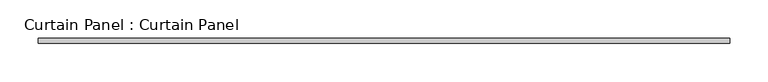
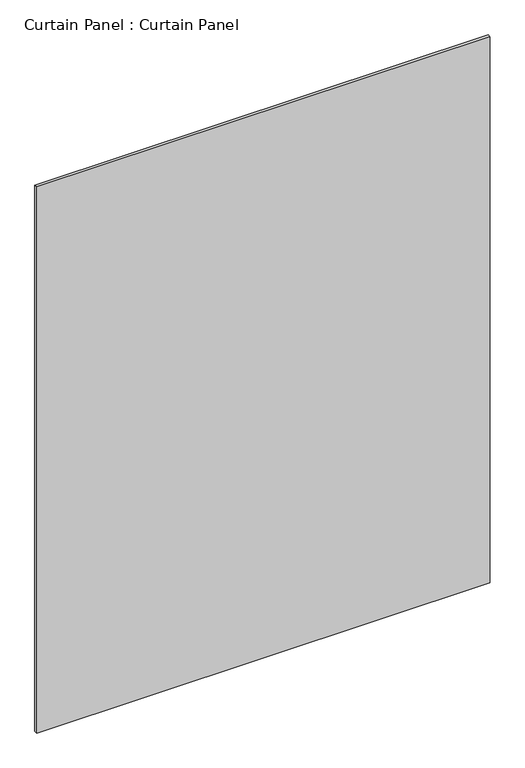
"""IFC4 building model written with IfcOpenShell, lengths in millimetres: plate geometry, Curtain Panel : Curtain Panel."""

from ifc_helpers import new_model, si_unit, frame, origin, place, context, project, spatial, polyline, outline, extrude, source, transform, mapped, element, save


def curtain_panel_curtain_panel_66d76c09(model_context):
    return source(origin(), model_context, "Body", "SweptSolid", [
        extrude(outline(polyline([(-15937.4276264, 9468.4705739), (-16838.7898064, 9468.4705739), (-16838.7898064, 9474.8205739), (-15937.4276264, 9474.8205739), (-15937.4276264, 9468.4705739)])), frame((0.0, 0.0, 1231.0413835), z_axis=(0.0, 0.0, 1.0), x_axis=(1.0, 0.0, 0.0)), (0.0, 0.0, 1.0), 1147.0227082),
    ])


if __name__ == "__main__":
    model = new_model("IFC4")
    model_context = context("Model", 3, world=origin())
    ifc_project = project(units=[si_unit("LENGTHUNIT", "METRE", prefix="MILLI")], contexts=[model_context])
    site = spatial("IfcSite", under=ifc_project)
    building = spatial("IfcBuilding", under=site)
    placement = place(None, origin())
    curtain_panel_curtain_panel_shape = curtain_panel_curtain_panel_66d76c09(model_context)
    element("IfcPlate", 1, ObjectType="Curtain Panel : Curtain Panel", at=placement, inside=building, context=model_context, shape_type="MappedRepresentation", body=[
        mapped(curtain_panel_curtain_panel_shape, transform((0.0, 0.0, 0.0), x_axis=(1.0, 0.0, 0.0), y_axis=(0.0, 1.0, 0.0), z_axis=(0.0, 0.0, 1.0))),
    ])
    save(model, "model.ifc")
